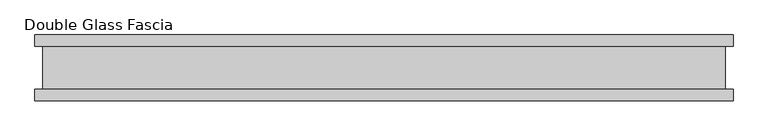
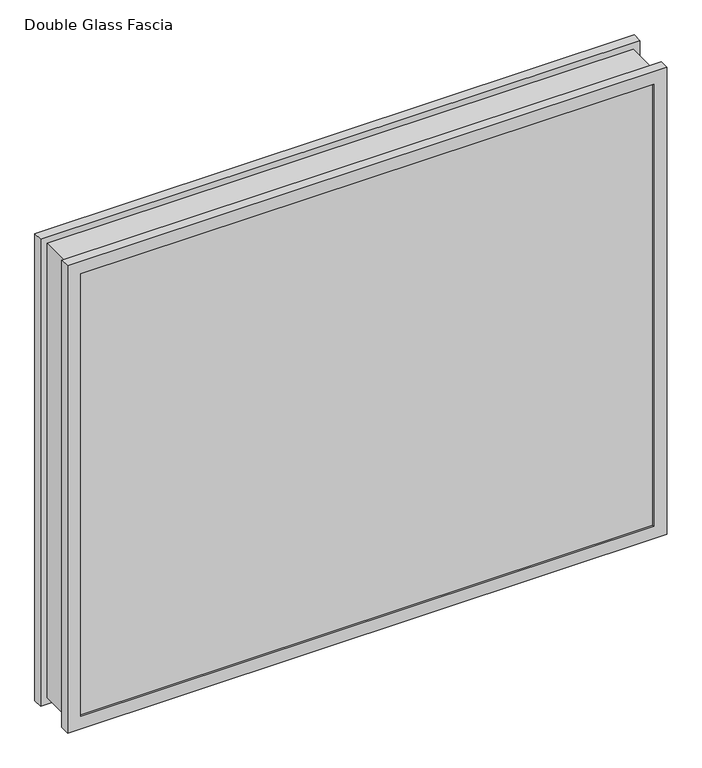
"""IFC4 building model written with IfcOpenShell, lengths in millimetres: proxy geometry, Double Glass Fascia."""

import ifcopenshell
import ifcopenshell.guid

model = None  # the IFC model being written
_history = None  # IfcOwnerHistory: only IFC2X3 demands one
_inside = {}  # id of a spatial element -> (the spatial element, [elements in it])
_under = {}  # id of a project, library or spatial element -> (it, [spatial elements below it])
_declared = {}  # id of a project -> (the project, [libraries it declares])
_typed = {}  # id of a type object -> (the type object, [elements of that type])
_made_of = {}  # id of a material, layer set ... -> (it, [elements and type objects made of it])


def new_model(schema):
    """Start an empty IFC model of exactly this schema.

    Asked for "IFC4X3", IfcOpenShell would pick the latest addendum, in which some entities
    have other attributes; the version numbers below select the first issue.
    IFC2X3 requires an IfcOwnerHistory on every rooted entity: one is made here for all.
    """
    global model, _history
    if schema == "IFC4X3":
        model = ifcopenshell.file(schema_version=(4, 3, 0, 0))
    else:
        model = ifcopenshell.file(schema=schema)
    _inside.clear()
    _under.clear()
    _declared.clear()
    _typed.clear()
    _made_of.clear()
    _history = None
    if model.schema == "IFC2X3":
        org = make("IfcOrganization", Name="unknown")
        user = make(
            "IfcPersonAndOrganization",
            ThePerson=make("IfcPerson", FamilyName="unknown"),
            TheOrganization=org,
        )
        app = make(
            "IfcApplication",
            ApplicationDeveloper=org,
            Version="unknown",
            ApplicationFullName="unknown",
            ApplicationIdentifier="unknown",
        )
        _history = make(
            "IfcOwnerHistory",
            OwningUser=user,
            OwningApplication=app,
            ChangeAction="ADDED",
            CreationDate=0,
        )
    return model


def make(cls, **values):
    """One entity of the class cls with the attributes given. An attribute that is None is left unset."""
    return model.create_entity(
        cls, **{name: value for name, value in values.items() if value is not None}
    )


def rooted(cls, **values):
    """An entity with a GlobalId (a new one), such as an element, a storey or a relation."""
    return make(cls, GlobalId=ifcopenshell.guid.new(), OwnerHistory=_history, **values)


def si_unit(unit_type, name, prefix=None):
    """IfcSIUnit, for example si_unit("LENGTHUNIT", "METRE", prefix="MILLI")."""
    return make("IfcSIUnit", UnitType=unit_type, Prefix=prefix, Name=name)


def assignment(units):
    """IfcUnitAssignment: the units of a project."""
    return None if units is None else make("IfcUnitAssignment", Units=units)


def point(xyz):
    """IfcCartesianPoint."""
    return None if xyz is None else make("IfcCartesianPoint", Coordinates=xyz)


def direction(xyz):
    """IfcDirection."""
    return None if xyz is None else make("IfcDirection", DirectionRatios=xyz)


def frame(location, z_axis=None, x_axis=None):
    """IfcAxis2Placement3D, a coordinate frame: its origin and axes. An axis left out is left unset."""
    return make(
        "IfcAxis2Placement3D",
        Location=point(location),
        Axis=direction(z_axis),
        RefDirection=direction(x_axis),
    )


def origin():
    """The frame at (0, 0, 0) with its axes left unset."""
    return frame((0.0, 0.0, 0.0))


def place(relative_to, where):
    """IfcLocalPlacement: puts the frame where relative to a parent placement (None: the world)."""
    return make(
        "IfcLocalPlacement", PlacementRelTo=relative_to, RelativePlacement=where
    )


def context(
    kind, dimensions, precision=None, world=None, true_north=None, identifier=None
):
    """IfcGeometricRepresentationContext, for example the 3D "Model" context."""
    return make(
        "IfcGeometricRepresentationContext",
        ContextIdentifier=identifier,
        ContextType=kind,
        CoordinateSpaceDimension=dimensions,
        Precision=precision,
        WorldCoordinateSystem=world,
        TrueNorth=true_north,
    )


def project(units=None, contexts=None):
    """IfcProject with its units and contexts."""
    return rooted(
        "IfcProject",
        Name="project",
        RepresentationContexts=contexts,
        UnitsInContext=assignment(units),
    )


def spatial(cls, under=None, at=None, **own):
    """A site, building, storey or space (cls), placed at a placement, below another one or the project."""
    s = rooted(cls, ObjectPlacement=at, **own)
    if under is not None:
        _under.setdefault(under.id(), (under, []))[1].append(s)
    return s


def polyline(points):
    """IfcPolyline through the points."""
    return make("IfcPolyline", Points=[point(p) for p in points])


def outline(outer, holes=None, kind="AREA"):
    """IfcArbitraryClosedProfileDef: a profile drawn as a closed curve; with holes, ...WithVoids."""
    if holes is None:
        return make("IfcArbitraryClosedProfileDef", ProfileType=kind, OuterCurve=outer)
    return make(
        "IfcArbitraryProfileDefWithVoids",
        ProfileType=kind,
        OuterCurve=outer,
        InnerCurves=holes,
    )


def extrude(swept, where, along, depth):
    """IfcExtrudedAreaSolid: the profile swept, set in the frame where, extruded along a direction by depth."""
    return make(
        "IfcExtrudedAreaSolid",
        SweptArea=swept,
        Position=where,
        ExtrudedDirection=direction(along),
        Depth=depth,
    )


def faces_of(points, faces, orient=None, outer=None):
    """IfcFace entities. A face is a list of loops; a loop is a list of indices into points, from 0.

    orient and outer hold one flag for each loop. By default every Orientation is true, the
    first loop of a face is its IfcFaceOuterBound and the others are IfcFaceBound.
    """
    made = []
    for i, loops in enumerate(faces):
        bounds = []
        for j, loop in enumerate(loops):
            is_outer = j == 0 if outer is None else outer[i][j]
            bounds.append(
                make(
                    "IfcFaceOuterBound" if is_outer else "IfcFaceBound",
                    Bound=make("IfcPolyLoop", Polygon=[points[k] for k in loop]),
                    Orientation=True if orient is None else orient[i][j],
                )
            )
        made.append(make("IfcFace", Bounds=bounds))
    return made


def faceted_brep(points, faces, orient=None, outer=None, voids=None):
    """IfcFacetedBrep: a solid bounded by flat faces; with voids (closed shells), ...WithVoids."""
    shared = [point(p) for p in points]
    hull = make("IfcClosedShell", CfsFaces=faces_of(shared, faces, orient, outer))
    if voids is None:
        return make("IfcFacetedBrep", Outer=hull)
    return make(
        "IfcFacetedBrepWithVoids",
        Outer=hull,
        Voids=[
            make(cls, CfsFaces=faces_of(shared, fs, o, b)) for cls, fs, o, b in voids
        ],
    )


def shape(context_of_items, identifier, shape_type, items):
    """IfcShapeRepresentation: the items that make up one representation, for example the "Body"."""
    return make(
        "IfcShapeRepresentation",
        ContextOfItems=context_of_items,
        RepresentationIdentifier=identifier,
        RepresentationType=shape_type,
        Items=items,
    )


def source(mapping_origin, context_of_items, identifier, shape_type, items):
    """IfcRepresentationMap: a shape defined once, which mapped items show again and again."""
    return make(
        "IfcRepresentationMap",
        MappingOrigin=mapping_origin,
        MappedRepresentation=shape(context_of_items, identifier, shape_type, items),
    )


def transform(
    local_origin,
    x_axis=None,
    y_axis=None,
    z_axis=None,
    scale=None,
    scale2=None,
    scale3=None,
    uniform=True,
):
    """IfcCartesianTransformationOperator3D, or its non-uniform kind. x_axis, y_axis, z_axis: its Axis1, 2, 3."""
    if uniform:
        return make(
            "IfcCartesianTransformationOperator3D",
            Axis1=direction(x_axis),
            Axis2=direction(y_axis),
            LocalOrigin=point(local_origin),
            Scale=scale,
            Axis3=direction(z_axis),
        )
    return make(
        "IfcCartesianTransformationOperator3DnonUniform",
        Axis1=direction(x_axis),
        Axis2=direction(y_axis),
        LocalOrigin=point(local_origin),
        Scale=scale,
        Axis3=direction(z_axis),
        Scale2=scale2,
        Scale3=scale3,
    )


def mapped(mapping_source, mapping_target):
    """IfcMappedItem: shows the shape of a source again, moved by a transform."""
    return make(
        "IfcMappedItem", MappingSource=mapping_source, MappingTarget=mapping_target
    )


def made_of(thing, what):
    """Note that an element or type object is made of a material, layer set ...; save() writes the relation."""
    if what is not None:
        _made_of.setdefault(what.id(), (what, []))[1].append(thing)
    return thing


def element(
    cls,
    number,
    at=None,
    inside=None,
    cuts=None,
    type_object=None,
    material=None,
    context=None,
    identifier="Body",
    shape_type=None,
    held_by="IfcProductDefinitionShape",
    body=None,
    shapes=None,
    **own,
):
    """One element of the class cls, such as IfcWall. Its Tag is "e" and its number.

    at: its placement. inside: the storey or other place that contains it. cuts: it is an
    opening in that element (IfcRelVoidsElement). A single representation is given by context,
    identifier, shape_type and body (its items); several are given by shapes. held_by: the class
    of the entity that holds the representations. save() writes the other relations.
    """
    e = rooted(cls, Tag="e%d" % number, ObjectPlacement=at, **own)
    if body is not None:
        shapes = [shape(context, identifier, shape_type, body)]
    if shapes is not None:
        e.Representation = make(held_by, Representations=shapes)
    if inside is not None:
        _inside.setdefault(inside.id(), (inside, []))[1].append(e)
    if cuts is not None:
        rooted(
            "IfcRelVoidsElement", RelatingBuildingElement=cuts, RelatedOpeningElement=e
        )
    if type_object is not None:
        _typed.setdefault(type_object.id(), (type_object, []))[1].append(e)
    return made_of(e, material)


def aggregate(whole, parts):
    """IfcRelAggregates: a whole, such as a stair, and the parts it consists of."""
    return rooted("IfcRelAggregates", RelatingObject=whole, RelatedObjects=parts)


def save(model, path):
    """Write the relations noted so far, then the file.

    IfcRelAggregates (storeys below a building ...), IfcRelContainedInSpatialStructure (elements
    in a storey), IfcRelDefinesByType, IfcRelAssociatesMaterial and IfcRelDeclares: one each for
    every whole, place, type object, material and project.
    """
    for whole, parts in _under.values():
        aggregate(whole, parts)
    for where, things in _inside.values():
        rooted(
            "IfcRelContainedInSpatialStructure",
            RelatedElements=things,
            RelatingStructure=where,
        )
    for kind, things in _typed.values():
        rooted("IfcRelDefinesByType", RelatedObjects=things, RelatingType=kind)
    for what, things in _made_of.values():
        rooted("IfcRelAssociatesMaterial", RelatedObjects=things, RelatingMaterial=what)
    for by, libraries in _declared.values():
        rooted("IfcRelDeclares", RelatingContext=by, RelatedDefinitions=libraries)
    model.write(path)


def double_glass_fascia_f94bbd22(model_context):
    return source(origin(), model_context, "Body", "SolidModel", [
        faceted_brep([(519.6640848, 32.4352299, 866.775885), (519.6640848, -32.4352299, 866.775885), (519.6640848, -32.4352299, 15.0359151), (519.6640848, 32.4352299, 15.0359151), (-519.6640848, -32.4352299, 15.0359151), (-519.6640848, 32.4352299, 15.0359151), (-519.6640848, -32.4352299, 866.775885), (-519.6640848, 32.4352299, 866.775885), (508.4871999, -38.8962152, 855.5990001), (508.4871999, 38.8962152, 855.5990001), (508.4871999, 38.8962152, 26.2128), (508.4871999, -38.8962152, 26.2128), (525.2218392, -47.1322551, 872.3336393), (525.2218392, -38.8962152, 872.3336393), (525.2218392, -38.8962152, 9.4781608), (525.2218392, -47.1322551, 9.4781608), (508.3093999, -50.0558594, 855.4212001), (508.3093999, -47.1322551, 855.4212001), (508.3093999, -47.1322551, 26.3906), (508.3093999, -50.0558594, 26.3906), (531.5249999, -32.4352299, 878.6368001), (531.5249999, -50.0558594, 878.6368001), (531.5249999, -50.0558594, 3.175), (531.5249999, -32.4352299, 3.175), (-508.4871999, 38.8962152, 26.2128), (-508.4871999, -38.8962152, 26.2128), (-525.2218392, -38.8962152, 9.4781608), (-525.2218392, -47.1322551, 9.4781608), (-508.3093999, -47.1322551, 26.3906), (-508.3093999, -50.0558594, 26.3906), (-531.5249999, -50.0558594, 3.175), (-531.5249999, -32.4352299, 3.175), (-508.4871999, 38.8962152, 855.5990001), (-508.4871999, -38.8962152, 855.5990001), (-525.2218392, -38.8962152, 872.3336393), (-525.2218392, -47.1322551, 872.3336393), (-508.3093999, -47.1322551, 855.4212001), (-508.3093999, -50.0558594, 855.4212001), (-531.5249999, -50.0558594, 878.6368001), (-531.5249999, -32.4352299, 878.6368001), (531.5249999, 50.0558594, 878.6368001), (531.5249999, 32.4352299, 878.6368001), (531.5249999, 32.4352299, 3.175), (531.5249999, 50.0558594, 3.175), (508.4871999, 47.1322551, 855.5990001), (508.4871999, 50.0558594, 855.5990001), (508.4871999, 50.0558594, 26.2128), (508.4871999, 47.1322551, 26.2128), (525.2218392, 38.8962152, 872.3336393), (525.2218392, 47.1322551, 872.3336393), (525.2218392, 47.1322551, 9.4781608), (525.2218392, 38.8962152, 9.4781608), (-531.5249999, 32.4352299, 3.175), (-531.5249999, 50.0558594, 3.175), (-508.4871999, 50.0558594, 26.2128), (-508.4871999, 47.1322551, 26.2128), (-525.2218392, 47.1322551, 9.4781608), (-525.2218392, 38.8962152, 9.4781608), (-531.5249999, 32.4352299, 878.6368001), (-531.5249999, 50.0558594, 878.6368001), (-508.4871999, 50.0558594, 855.5990001), (-508.4871999, 47.1322551, 855.5990001), (-525.2218392, 47.1322551, 872.3336393), (-525.2218392, 38.8962152, 872.3336393)], [[[0, 1, 2, 3]], [[3, 2, 4, 5]], [[5, 4, 6, 7]], [[7, 6, 1, 0]], [[8, 9, 10, 11]], [[12, 13, 14, 15]], [[16, 17, 18, 19]], [[20, 21, 22, 23]], [[11, 10, 24, 25]], [[15, 14, 26, 27]], [[19, 18, 28, 29]], [[23, 22, 30, 31]], [[25, 24, 32, 33]], [[27, 26, 34, 35]], [[29, 28, 36, 37]], [[31, 30, 38, 39]], [[33, 32, 9, 8]], [[13, 34, 26, 14], [11, 25, 33, 8]], [[35, 34, 13, 12]], [[15, 27, 35, 12], [17, 36, 28, 18]], [[37, 36, 17, 16]], [[21, 38, 30, 22], [19, 29, 37, 16]], [[39, 38, 21, 20]], [[23, 31, 39, 20], [1, 6, 4, 2]], [[40, 41, 42, 43]], [[44, 45, 46, 47]], [[48, 49, 50, 51]], [[43, 42, 52, 53]], [[47, 46, 54, 55]], [[51, 50, 56, 57]], [[53, 52, 58, 59]], [[55, 54, 60, 61]], [[57, 56, 62, 63]], [[41, 58, 52, 42], [3, 5, 7, 0]], [[59, 58, 41, 40]], [[43, 53, 59, 40], [45, 60, 54, 46]], [[61, 60, 45, 44]], [[49, 62, 56, 50], [47, 55, 61, 44]], [[63, 62, 49, 48]], [[51, 57, 63, 48], [9, 32, 24, 10]]]),
        extrude(outline(polyline([(520.7, -40.9277344), (520.7, -46.8808594), (-520.7, -46.8808594), (-520.7, -40.9277344), (520.7, -40.9277344)])), frame((0.0, 0.0, 5.3275263), z_axis=(0.0, 0.0, 1.0), x_axis=(1.0, 0.0, 0.0)), (0.0, 0.0, 1.0), 870.6627281),
        extrude(outline(polyline([(520.7, 41.1791301), (-520.7, 41.1791301), (-520.7, 47.1322551), (520.7, 47.1322551), (520.7, 41.1791301)])), frame((0.0, 0.0, 5.3275263), z_axis=(0.0, 0.0, 1.0), x_axis=(1.0, 0.0, 0.0)), (0.0, 0.0, 1.0), 870.6627281),
    ])


if __name__ == "__main__":
    model = new_model("IFC4")
    model_context = context("Model", 3, world=origin())
    ifc_project = project(units=[si_unit("LENGTHUNIT", "METRE", prefix="MILLI")], contexts=[model_context])
    site = spatial("IfcSite", under=ifc_project)
    building = spatial("IfcBuilding", under=site)
    placement = place(None, origin())
    double_glass_fascia_shape = double_glass_fascia_f94bbd22(model_context)
    element("IfcBuildingElementProxy", 1, Name="Double Glass Fascia", ObjectType="Double Glass Fascia", at=placement, inside=building, context=model_context, shape_type="MappedRepresentation", body=[
        mapped(double_glass_fascia_shape, transform((0.0, 0.0, 0.0), x_axis=(1.0, 0.0, 0.0), y_axis=(0.0, 1.0, 0.0), z_axis=(0.0, 0.0, 1.0))),
    ])
    save(model, "model.ifc")
